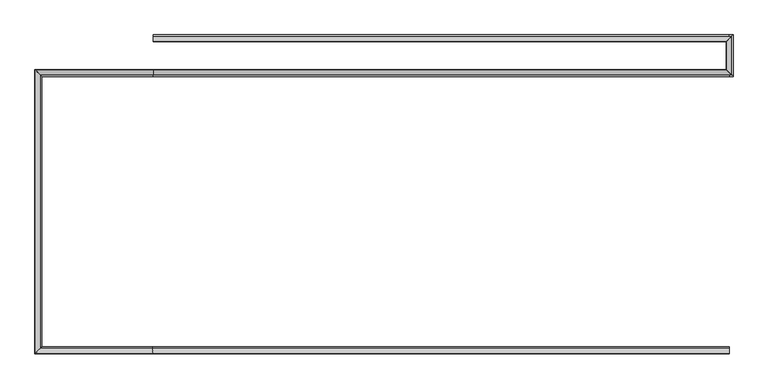
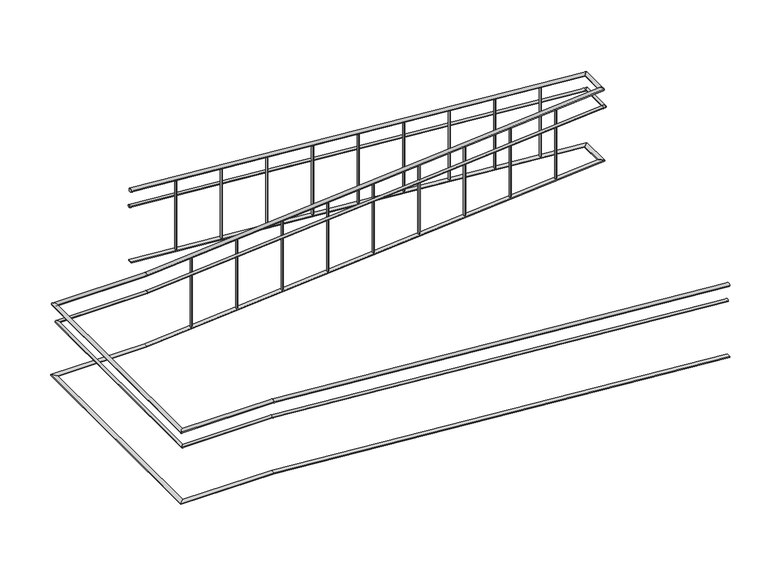
"""IFC4 building model written with IfcOpenShell, lengths in millimetres: railing geometry."""

from ifc_helpers import new_model, si_unit, frame, origin, place, context, project, spatial, ellipse_curve, faceted_brep, source, transform, mapped, element, save
from ifc_brep_helpers import plane_surface, cylinder_surface, advanced_brep


def railing_ad391824(model_context):
    return source(origin(), model_context, "Body", "SolidModel", [
        advanced_brep(
        [(-20785.2208066, -21237.3113636, -320.0638979), (-20785.2208066, -21197.3113636, -320.0638979), (-25786.0195307, -21197.3113636, 80.0), (-25786.0195307, -21237.3113636, 80.0), (-26765.2208066, -21197.3113636, 80.0), (-26805.2208066, -21237.3113636, 80.0), (-26765.2208066, -18818.0361539, 80.0), (-26805.2208066, -18778.0361539, 80.0), (-25784.4220825, -18818.0361539, 80.0), (-25784.4220825, -18778.0361539, 80.0), (-20803.5622077, -18778.0361539, 478.46879), (-20763.6895966, -18818.0361539, 481.6585989)],
        [
            (0, 1, ellipse_curve(frame((-20785.2208066, -21217.3113636, -320.0638979), z_axis=(1.0, 0.0, 0.0), x_axis=(0.0, 0.0, -1.0)), 20.0638979, 20.0)),
            (1, 0, ellipse_curve(frame((-20785.2208066, -21217.3113636, -320.0638979), z_axis=(1.0, 0.0, 0.0), x_axis=(0.0, 0.0, -1.0)), 20.0638979, 20.0)),
            (1, 2),
            (2, 3, ellipse_curve(frame((-25786.0195307, -21217.3113636, 80.0), z_axis=(0.9992035024298416, 0.0, -0.0399043948950175), x_axis=(-0.03990439489501678, 0.0, -0.9992035024298418)), 20.0159426, 20.0)),
            (3, 0),
            (3, 2, ellipse_curve(frame((-25786.0195307, -21217.3113636, 80.0), z_axis=(0.9992035024298416, 0.0, -0.0399043948950175), x_axis=(-0.03990439489501678, 0.0, -0.9992035024298418)), 20.0159426, 20.0)),
            (2, 4),
            (4, 5, ellipse_curve(frame((-26785.2208066, -21217.3113636, 80.0), z_axis=(0.7071067811865487, -0.7071067811865462, 0.0), x_axis=(0.7071067811865464, 0.7071067811865487, 0.0)), 28.2842712, 20.0)),
            (5, 3),
            (5, 4, ellipse_curve(frame((-26785.2208066, -21217.3113636, 80.0), z_axis=(0.7071067811865487, -0.7071067811865462, 0.0), x_axis=(0.7071067811865464, 0.7071067811865487, 0.0)), 28.2842712, 20.0)),
            (4, 6),
            (6, 7, ellipse_curve(frame((-26785.2208066, -18798.0361539, 80.0), z_axis=(-0.7071067811865462, -0.7071067811865487, 0.0), x_axis=(0.7071067811865487, -0.7071067811865464, 0.0)), 28.2842712, 20.0)),
            (7, 5),
            (7, 6, ellipse_curve(frame((-26785.2208066, -18798.0361539, 80.0), z_axis=(-0.7071067811865462, -0.7071067811865487, 0.0), x_axis=(0.7071067811865487, -0.7071067811865464, 0.0)), 28.2842712, 20.0)),
            (6, 8),
            (8, 9, ellipse_curve(frame((-25784.4220825, -18798.0361539, 80.0), z_axis=(-0.9992035024298416, 0.0, -0.03990439489501755), x_axis=(-0.03990439489501951, 0.0, 0.9992035024298415)), 20.0159426, 20.0)),
            (9, 7),
            (9, 8, ellipse_curve(frame((-25784.4220825, -18798.0361539, 80.0), z_axis=(-0.9992035024298416, 0.0, -0.03990439489501755), x_axis=(-0.03990439489501951, 0.0, 0.9992035024298415)), 20.0159426, 20.0)),
            (10, 11, ellipse_curve(frame((-20783.6259021, -18798.0361539, 480.0636944), z_axis=(0.7048548430432501, 0.7071067811865488, 0.05638838744346013), x_axis=(-0.704854843043252, 0.7071067811865466, -0.05638838744346012)), 28.2842712, 20.0)),
            (11, 10, ellipse_curve(frame((-20783.6259021, -18798.0361539, 480.0636944), z_axis=(0.7048548430432501, 0.7071067811865488, 0.05638838744346013), x_axis=(-0.704854843043252, 0.7071067811865466, -0.05638838744346012)), 28.2842712, 20.0)),
            (8, 11),
            (10, 9),
        ],
        [
            plane_surface(frame((-20785.2208066, -21217.3113636, -300.0), z_axis=(1.0, 0.0, 0.0), x_axis=(0.0, -1.0, 0.0))),
            cylinder_surface(frame((-20786.815711, -21217.3113636, -319.9363056), z_axis=(0.9968152785361251, 0.0, -0.07974522228288997), x_axis=(0.0, 1.0, 0.0)), 20.0),
            cylinder_surface(frame((-25785.2208066, -21217.3113636, 80.0), z_axis=(1.0, 0.0, 0.0), x_axis=(0.0, 1.0, 0.0)), 20.0),
            cylinder_surface(frame((-26785.2208066, -21217.3113636, 80.0), z_axis=(0.0, -1.0, 0.0), x_axis=(1.0, 0.0, 0.0)), 20.0),
            cylinder_surface(frame((-26785.2208066, -18798.0361539, 80.0), z_axis=(-1.0, 0.0, 0.0), x_axis=(0.0, -1.0, 0.0)), 20.0),
            plane_surface(frame((-20785.2208066, -18798.0361539, 500.0), z_axis=(0.7048548430432501, 0.7071067811865488, 0.05638838744346013), x_axis=(0.7093515702657431, -0.7026242841491772, -0.05603092972083254))),
            cylinder_surface(frame((-25783.6259021, -18798.0361539, 80.0636944), z_axis=(-0.9968152785361251, 0.0, -0.07974522228289006), x_axis=(0.0, -1.0, 0.0)), 20.0),
        ],
        [
            (0, [[1, 2]]),
            (1, [[-2, 3, 4, 5]]),
            (1, [[-1, -5, 6, -3]]),
            (2, [[-4, 7, 8, 9]]),
            (2, [[-6, -9, 10, -7]]),
            (3, [[-8, 11, 12, 13]]),
            (3, [[-10, -13, 14, -11]]),
            (4, [[-12, 15, 16, 17]]),
            (4, [[-14, -17, 18, -15]]),
            (5, [[19, 20]]),
            (6, [[-16, 21, -19, 22]]),
            (6, [[-18, -22, -20, -21]]),
        ],
    ),
        advanced_brep(
        [(-20805.2208066, -18776.5049439, 480.0), (-20765.2208066, -18816.377555, 480.0), (-20805.2208066, -18525.2334525, 480.0), (-20765.2208066, -18485.3608413, 480.0)],
        [
            (0, 1, ellipse_curve(frame((-20785.2208066, -18796.4412495, 480.0), z_axis=(-0.7048548430432501, -0.7071067811865488, -0.05638838744346013), x_axis=(0.7048548430432525, -0.7071067811865462, 0.05638838744346012)), 28.2842712, 20.0)),
            (1, 0, ellipse_curve(frame((-20785.2208066, -18796.4412495, 480.0), z_axis=(-0.7048548430432501, -0.7071067811865488, -0.05638838744346013), x_axis=(0.7048548430432525, -0.7071067811865462, 0.05638838744346012)), 28.2842712, 20.0)),
            (2, 3, ellipse_curve(frame((-20785.2208066, -18505.2971469, 480.0), z_axis=(-0.7048548430432531, 0.7071067811865458, 0.05638838744346018), x_axis=(-0.7048548430432494, -0.7071067811865491, 0.0563883874434601)), 28.2842712, 20.0)),
            (3, 2, ellipse_curve(frame((-20785.2208066, -18505.2971469, 480.0), z_axis=(-0.7048548430432531, 0.7071067811865458, 0.05638838744346018), x_axis=(-0.7048548430432494, -0.7071067811865491, 0.0563883874434601)), 28.2842712, 20.0)),
            (1, 3),
            (2, 0),
        ],
        [
            plane_surface(frame((-20785.2208066, -18798.0361539, 500.0), z_axis=(-0.7048548430432501, -0.7071067811865488, -0.05638838744346013), x_axis=(0.7093515702657431, -0.7026242841491772, -0.05603092972083254))),
            plane_surface(frame((-20785.2208066, -18506.8920513, 500.0), z_axis=(-0.7048548430432531, 0.7071067811865458, 0.05638838744346018), x_axis=(0.7093515702657401, 0.7026242841491802, 0.05603092972083307))),
            cylinder_surface(frame((-20785.2208066, -18798.0361539, 480.0), z_axis=(0.0, -1.0, 0.0), x_axis=(1.0, 0.0, 0.0)), 20.0),
        ],
        [
            (0, [[1, 2]]),
            (1, [[3, 4]]),
            (2, [[-2, 5, -3, 6]]),
            (2, [[-1, -6, -4, -5]]),
        ],
    ),
        advanced_brep(
        [(-20806.7520166, -18526.8920513, 481.6585989), (-20766.8794054, -18486.8920513, 478.46879), (-25785.2208066, -18526.8920513, 879.9361021), (-25785.2208066, -18486.8920513, 879.9361021)],
        [
            (0, 1, ellipse_curve(frame((-20786.815711, -18506.8920513, 480.0636944), z_axis=(0.7048548430432531, -0.7071067811865458, -0.05638838744346018), x_axis=(0.7048548430432492, 0.7071067811865495, -0.05638838744346007)), 28.2842712, 20.0)),
            (1, 0, ellipse_curve(frame((-20786.815711, -18506.8920513, 480.0636944), z_axis=(0.7048548430432531, -0.7071067811865458, -0.05638838744346018), x_axis=(0.7048548430432492, 0.7071067811865495, -0.05638838744346007)), 28.2842712, 20.0)),
            (2, 3, ellipse_curve(frame((-25785.2208066, -18506.8920513, 879.9361021), z_axis=(-1.0, 0.0, 0.0), x_axis=(0.0, 0.0, -1.0)), 20.0638979, 20.0)),
            (3, 2, ellipse_curve(frame((-25785.2208066, -18506.8920513, 879.9361021), z_axis=(-1.0, 0.0, 0.0), x_axis=(0.0, 0.0, -1.0)), 20.0638979, 20.0)),
            (1, 3),
            (2, 0),
        ],
        [
            plane_surface(frame((-20785.2208066, -18506.8920513, 500.0), z_axis=(0.7048548430432531, -0.7071067811865458, -0.05638838744346018), x_axis=(0.7093515702657401, 0.7026242841491802, 0.05603092972083307))),
            plane_surface(frame((-25785.2208066, -18506.8920513, 900.0), z_axis=(-1.0, 0.0, 0.0), x_axis=(0.0, -1.0, 0.0))),
            cylinder_surface(frame((-20786.815711, -18506.8920513, 480.0636944), z_axis=(0.9968152785361251, 0.0, -0.07974522228289006), x_axis=(0.0, 1.0, 0.0)), 20.0),
        ],
        [
            (0, [[1, 2]]),
            (1, [[3, 4]]),
            (2, [[-2, 5, -3, 6]]),
            (2, [[-1, -6, -4, -5]]),
        ],
    ),
        advanced_brep(
        [(-20785.2208066, -21212.3113636, -515.0479234), (-20785.2208066, -21182.3113636, -515.0479234), (-25785.8198496, -21182.3113636, -115.0), (-25785.8198496, -21212.3113636, -115.0), (-26750.2208066, -21182.3113636, -115.0), (-26780.2208066, -21212.3113636, -115.0), (-26750.2208066, -18833.0361539, -115.0), (-26780.2208066, -18803.0361539, -115.0), (-25784.6217635, -18833.0361539, -115.0), (-25784.6217635, -18803.0361539, -115.0), (-20784.6217635, -18833.0361539, 285.0), (-20784.6217635, -18803.0361539, 285.0), (-20750.2208066, -18833.0361539, 285.0), (-20780.2208066, -18803.0361539, 285.0), (-20750.2208066, -18471.8920513, 285.0), (-20780.2208066, -18501.8920513, 285.0), (-20785.8198496, -18471.8920513, 285.0), (-20785.8198496, -18501.8920513, 285.0), (-25785.2208066, -18501.8920513, 684.9520766), (-25785.2208066, -18471.8920513, 684.9520766)],
        [
            (0, 1, ellipse_curve(frame((-20785.2208066, -21197.3113636, -515.0479234), z_axis=(1.0, 0.0, 0.0), x_axis=(0.0, 0.0, -1.0)), 15.0479234, 15.0)),
            (1, 0, ellipse_curve(frame((-20785.2208066, -21197.3113636, -515.0479234), z_axis=(1.0, 0.0, 0.0), x_axis=(0.0, 0.0, -1.0)), 15.0479234, 15.0)),
            (1, 2),
            (2, 3, ellipse_curve(frame((-25785.8198496, -21197.3113636, -115.0), z_axis=(0.9992035024298416, 0.0, -0.0399043948950175), x_axis=(-0.03990439489501678, 0.0, -0.9992035024298418)), 15.011957, 15.0)),
            (3, 0),
            (3, 2, ellipse_curve(frame((-25785.8198496, -21197.3113636, -115.0), z_axis=(0.9992035024298416, 0.0, -0.0399043948950175), x_axis=(-0.03990439489501678, 0.0, -0.9992035024298418)), 15.011957, 15.0)),
            (2, 4),
            (4, 5, ellipse_curve(frame((-26765.2208066, -21197.3113636, -115.0), z_axis=(0.7071067811865487, -0.7071067811865462, 0.0), x_axis=(0.7071067811865464, 0.7071067811865487, 0.0)), 21.2132034, 15.0)),
            (5, 3),
            (5, 4, ellipse_curve(frame((-26765.2208066, -21197.3113636, -115.0), z_axis=(0.7071067811865487, -0.7071067811865462, 0.0), x_axis=(0.7071067811865464, 0.7071067811865487, 0.0)), 21.2132034, 15.0)),
            (4, 6),
            (6, 7, ellipse_curve(frame((-26765.2208066, -18818.0361539, -115.0), z_axis=(-0.7071067811865462, -0.7071067811865487, 0.0), x_axis=(0.7071067811865487, -0.7071067811865464, 0.0)), 21.2132034, 15.0)),
            (7, 5),
            (7, 6, ellipse_curve(frame((-26765.2208066, -18818.0361539, -115.0), z_axis=(-0.7071067811865462, -0.7071067811865487, 0.0), x_axis=(0.7071067811865487, -0.7071067811865464, 0.0)), 21.2132034, 15.0)),
            (6, 8),
            (8, 9, ellipse_curve(frame((-25784.6217635, -18818.0361539, -115.0), z_axis=(-0.9992035024298416, 0.0, -0.03990439489501755), x_axis=(-0.03990439489501951, 0.0, 0.9992035024298415)), 15.011957, 15.0)),
            (9, 7),
            (9, 8, ellipse_curve(frame((-25784.6217635, -18818.0361539, -115.0), z_axis=(-0.9992035024298416, 0.0, -0.03990439489501755), x_axis=(-0.03990439489501951, 0.0, 0.9992035024298415)), 15.011957, 15.0)),
            (8, 10),
            (10, 11, ellipse_curve(frame((-20784.6217635, -18818.0361539, 285.0), z_axis=(-0.9992035024298416, 0.0, -0.03990439489501755), x_axis=(0.03990439489501672, 0.0, -0.9992035024298416)), 15.011957, 15.0)),
            (11, 9),
            (11, 10, ellipse_curve(frame((-20784.6217635, -18818.0361539, 285.0), z_axis=(-0.9992035024298416, 0.0, -0.03990439489501755), x_axis=(0.03990439489501672, 0.0, -0.9992035024298416)), 15.011957, 15.0)),
            (10, 12),
            (12, 13, ellipse_curve(frame((-20765.2208066, -18818.0361539, 285.0), z_axis=(-0.7071067811865462, -0.7071067811865487, 0.0), x_axis=(-0.7071067811865488, 0.7071067811865461, 0.0)), 21.2132034, 15.0)),
            (13, 11),
            (13, 12, ellipse_curve(frame((-20765.2208066, -18818.0361539, 285.0), z_axis=(-0.7071067811865462, -0.7071067811865487, 0.0), x_axis=(-0.7071067811865488, 0.7071067811865461, 0.0)), 21.2132034, 15.0)),
            (12, 14),
            (14, 15, ellipse_curve(frame((-20765.2208066, -18486.8920513, 285.0), z_axis=(0.7071067811865492, -0.7071067811865457, 0.0), x_axis=(-0.7071067811865455, -0.7071067811865495, 0.0)), 21.2132034, 15.0)),
            (15, 13),
            (15, 14, ellipse_curve(frame((-20765.2208066, -18486.8920513, 285.0), z_axis=(0.7071067811865492, -0.7071067811865457, 0.0), x_axis=(-0.7071067811865455, -0.7071067811865495, 0.0)), 21.2132034, 15.0)),
            (14, 16),
            (16, 17, ellipse_curve(frame((-20785.8198496, -18486.8920513, 285.0), z_axis=(0.9992035024298416, 0.0, -0.03990439489501755), x_axis=(0.03990439489501951, 0.0, 0.9992035024298415)), 15.011957, 15.0)),
            (17, 15),
            (17, 16, ellipse_curve(frame((-20785.8198496, -18486.8920513, 285.0), z_axis=(0.9992035024298416, 0.0, -0.03990439489501755), x_axis=(0.03990439489501951, 0.0, 0.9992035024298415)), 15.011957, 15.0)),
            (18, 19, ellipse_curve(frame((-25785.2208066, -18486.8920513, 684.9520766), z_axis=(-1.0, 0.0, 0.0), x_axis=(0.0, 0.0, -1.0)), 15.0479234, 15.0)),
            (19, 18, ellipse_curve(frame((-25785.2208066, -18486.8920513, 684.9520766), z_axis=(-1.0, 0.0, 0.0), x_axis=(0.0, 0.0, -1.0)), 15.0479234, 15.0)),
            (16, 19),
            (18, 17),
        ],
        [
            plane_surface(frame((-20785.2208066, -21197.3113636, -500.0), z_axis=(1.0, 0.0, 0.0), x_axis=(0.0, -1.0, 0.0))),
            cylinder_surface(frame((-20786.4169849, -21197.3113636, -514.9522292), z_axis=(0.9968152785361251, 0.0, -0.07974522228288997), x_axis=(0.0, 1.0, 0.0)), 15.0),
            cylinder_surface(frame((-25785.2208066, -21197.3113636, -115.0), z_axis=(1.0, 0.0, 0.0), x_axis=(0.0, 1.0, 0.0)), 15.0),
            cylinder_surface(frame((-26765.2208066, -21197.3113636, -115.0), z_axis=(0.0, -1.0, 0.0), x_axis=(1.0, 0.0, 0.0)), 15.0),
            cylinder_surface(frame((-26765.2208066, -18818.0361539, -115.0), z_axis=(-1.0, 0.0, 0.0), x_axis=(0.0, -1.0, 0.0)), 15.0),
            cylinder_surface(frame((-25784.0246282, -18818.0361539, -114.9522292), z_axis=(-0.9968152785361251, 0.0, -0.07974522228289006), x_axis=(0.0, -1.0, 0.0)), 15.0),
            cylinder_surface(frame((-20785.2208066, -18818.0361539, 285.0), z_axis=(-1.0, 0.0, 0.0), x_axis=(0.0, -1.0, 0.0)), 15.0),
            cylinder_surface(frame((-20765.2208066, -18818.0361539, 285.0), z_axis=(0.0, -1.0, 0.0), x_axis=(1.0, 0.0, 0.0)), 15.0),
            cylinder_surface(frame((-20765.2208066, -18486.8920513, 285.0), z_axis=(1.0, 0.0, 0.0), x_axis=(0.0, 1.0, 0.0)), 15.0),
            plane_surface(frame((-25785.2208066, -18486.8920513, 700.0), z_axis=(-1.0, 0.0, 0.0), x_axis=(0.0, -1.0, 0.0))),
            cylinder_surface(frame((-20786.4169849, -18486.8920513, 285.0477708), z_axis=(0.9968152785361251, 0.0, -0.07974522228289006), x_axis=(0.0, 1.0, 0.0)), 15.0),
        ],
        [
            (0, [[1, 2]]),
            (1, [[-2, 3, 4, 5]]),
            (1, [[-1, -5, 6, -3]]),
            (2, [[-4, 7, 8, 9]]),
            (2, [[-6, -9, 10, -7]]),
            (3, [[-8, 11, 12, 13]]),
            (3, [[-10, -13, 14, -11]]),
            (4, [[-12, 15, 16, 17]]),
            (4, [[-14, -17, 18, -15]]),
            (5, [[-16, 19, 20, 21]]),
            (5, [[-18, -21, 22, -19]]),
            (6, [[-20, 23, 24, 25]]),
            (6, [[-22, -25, 26, -23]]),
            (7, [[-24, 27, 28, 29]]),
            (7, [[-26, -29, 30, -27]]),
            (8, [[-28, 31, 32, 33]]),
            (8, [[-30, -33, 34, -31]]),
            (9, [[35, 36]]),
            (10, [[-32, 37, -35, 38]]),
            (10, [[-34, -38, -36, -37]]),
        ],
    ),
        faceted_brep([(-20785.2208066, -21192.3113636, -1140.0), (-20785.2208066, -21242.3113636, -1140.0), (-20785.2208066, -21242.3113636, -1150.031949), (-20785.2208066, -21192.3113636, -1150.031949), (-25785.6201686, -21192.3113636, -750.0), (-25785.2208066, -21192.3113636, -740.0), (-25785.6201686, -21242.3113636, -750.0), (-25785.2208066, -21242.3113636, -740.0), (-26760.2208066, -21192.3113636, -750.0), (-26760.2208066, -21192.3113636, -740.0), (-26810.2208066, -21242.3113636, -750.0), (-26810.2208066, -21242.3113636, -740.0), (-26760.2208066, -18823.0361539, -750.0), (-26760.2208066, -18823.0361539, -740.0), (-26810.2208066, -18773.0361539, -750.0), (-26810.2208066, -18773.0361539, -740.0), (-25784.8214445, -18823.0361539, -750.0), (-25785.2208066, -18823.0361539, -740.0), (-25784.8214445, -18773.0361539, -750.0), (-25785.2208066, -18773.0361539, -740.0), (-20760.3004246, -18823.0361539, -338.0063694), (-20759.5029724, -18823.0361539, -347.9745222), (-20809.3437363, -18773.0361539, -351.9617833), (-20810.1411885, -18773.0361539, -341.9936306)], [[[0, 1, 2, 3]], [[0, 3, 4, 5]], [[3, 2, 6, 4]], [[2, 1, 7, 6]], [[1, 0, 5, 7]], [[5, 4, 8, 9]], [[4, 6, 10, 8]], [[6, 7, 11, 10]], [[7, 5, 9, 11]], [[9, 8, 12, 13]], [[8, 10, 14, 12]], [[10, 11, 15, 14]], [[11, 9, 13, 15]], [[13, 12, 16, 17]], [[12, 14, 18, 16]], [[14, 15, 19, 18]], [[15, 13, 17, 19]], [[20, 21, 22, 23]], [[17, 16, 21, 20]], [[16, 18, 22, 21]], [[18, 19, 23, 22]], [[19, 17, 20, 23]]]),
        faceted_brep([(-20760.2208066, -18822.9565359, -340.0), (-20810.2208066, -18773.115772, -340.0), (-20810.2208066, -18772.3183197, -350.0), (-20760.2208066, -18822.1590837, -350.0), (-20760.2208066, -18481.9716694, -340.0), (-20760.2208066, -18481.1742172, -350.0), (-20810.2208066, -18531.0149811, -350.0), (-20810.2208066, -18531.8124333, -340.0)], [[[0, 1, 2, 3]], [[4, 5, 6, 7]], [[0, 3, 5, 4]], [[3, 2, 6, 5]], [[2, 1, 7, 6]], [[1, 0, 4, 7]]]),
        faceted_brep([(-20760.3004246, -18481.8920513, -341.9936306), (-20810.1411885, -18531.8920513, -338.0063694), (-20810.9386408, -18531.8920513, -347.9745222), (-20761.0978768, -18481.8920513, -351.9617833), (-25785.2208066, -18481.8920513, 60.0), (-25785.2208066, -18481.8920513, 49.968051), (-25785.2208066, -18531.8920513, 49.968051), (-25785.2208066, -18531.8920513, 60.0)], [[[0, 1, 2, 3]], [[4, 5, 6, 7]], [[0, 3, 5, 4]], [[3, 2, 6, 5]], [[2, 1, 7, 6]], [[1, 0, 4, 7]]]),
        advanced_brep(
        [(-25285.2208066, -18496.8920513, 819.8722041), (-25285.2208066, -18496.8920513, 20.0), (-25285.2208066, -18516.8920513, 20.0), (-25285.2208066, -18516.8920513, 819.8722041)],
        [
            (0, 1),
            (1, 2, ellipse_curve(frame((-25285.2208066, -18506.8920513, 20.0), z_axis=(0.07974522228288976, 0.0, 0.9968152785361251), x_axis=(-0.9968152785361251, 0.0, 0.07974522228288902)), 10.031949, 10.0)),
            (2, 3),
            (3, 0, ellipse_curve(frame((-25285.2208066, -18506.8920513, 819.8722041), z_axis=(-0.07974522228288877, 0.0, -0.9968152785361252), x_axis=(-0.9968152785361252, 0.0, 0.07974522228288722)), 10.031949, 10.0)),
            (0, 3, ellipse_curve(frame((-25285.2208066, -18506.8920513, 819.8722041), z_axis=(-0.07974522228288877, 0.0, -0.9968152785361252), x_axis=(-0.9968152785361252, 0.0, 0.07974522228288722)), 10.031949, 10.0)),
            (2, 1, ellipse_curve(frame((-25285.2208066, -18506.8920513, 20.0), z_axis=(0.07974522228288976, 0.0, 0.9968152785361251), x_axis=(-0.9968152785361251, 0.0, 0.07974522228288902)), 10.031949, 10.0)),
        ],
        [
            cylinder_surface(frame((-25285.2208066, -18506.8920513, -80.0), z_axis=(0.0, 0.0, 1.0), x_axis=(0.0, -1.0, 0.0)), 10.0),
            plane_surface(frame((-25305.2208066, -18526.8920513, 821.4722041), z_axis=(0.07974522228288877, 0.0, 0.9968152785361252), x_axis=(0.0, 1.0, 0.0))),
            plane_surface(frame((-25265.2208066, -18526.8920513, 18.4), z_axis=(-0.07974522228288976, 0.0, -0.9968152785361251), x_axis=(0.0, 1.0, 0.0))),
        ],
        [
            (0, [[1, 2, 3, 4]]),
            (0, [[-1, 5, -3, 6]]),
            (1, [[-4, -5]]),
            (2, [[-2, -6]]),
        ],
    ),
        advanced_brep(
        [(-24785.2208066, -18496.8920513, 779.8722041), (-24785.2208066, -18496.8920513, -20.0), (-24785.2208066, -18516.8920513, -20.0), (-24785.2208066, -18516.8920513, 779.8722041)],
        [
            (0, 1),
            (1, 2, ellipse_curve(frame((-24785.2208066, -18506.8920513, -20.0), z_axis=(0.07974522228288976, 0.0, 0.9968152785361251), x_axis=(-0.9968152785361251, 0.0, 0.07974522228288902)), 10.031949, 10.0)),
            (2, 3),
            (3, 0, ellipse_curve(frame((-24785.2208066, -18506.8920513, 779.8722041), z_axis=(-0.07974522228288877, 0.0, -0.9968152785361252), x_axis=(-0.9968152785361252, 0.0, 0.07974522228288722)), 10.031949, 10.0)),
            (0, 3, ellipse_curve(frame((-24785.2208066, -18506.8920513, 779.8722041), z_axis=(-0.07974522228288877, 0.0, -0.9968152785361252), x_axis=(-0.9968152785361252, 0.0, 0.07974522228288722)), 10.031949, 10.0)),
            (2, 1, ellipse_curve(frame((-24785.2208066, -18506.8920513, -20.0), z_axis=(0.07974522228288976, 0.0, 0.9968152785361251), x_axis=(-0.9968152785361251, 0.0, 0.07974522228288902)), 10.031949, 10.0)),
        ],
        [
            cylinder_surface(frame((-24785.2208066, -18506.8920513, -120.0), z_axis=(0.0, 0.0, 1.0), x_axis=(0.0, -1.0, 0.0)), 10.0),
            plane_surface(frame((-24805.2208066, -18526.8920513, 781.4722041), z_axis=(0.07974522228288877, 0.0, 0.9968152785361252), x_axis=(0.0, 1.0, 0.0))),
            plane_surface(frame((-24765.2208066, -18526.8920513, -21.6), z_axis=(-0.07974522228288976, 0.0, -0.9968152785361251), x_axis=(0.0, 1.0, 0.0))),
        ],
        [
            (0, [[1, 2, 3, 4]]),
            (0, [[-1, 5, -3, 6]]),
            (1, [[-4, -5]]),
            (2, [[-2, -6]]),
        ],
    ),
        advanced_brep(
        [(-24285.2208066, -18496.8920513, 739.8722041), (-24285.2208066, -18496.8920513, -60.0), (-24285.2208066, -18516.8920513, -60.0), (-24285.2208066, -18516.8920513, 739.8722041)],
        [
            (0, 1),
            (1, 2, ellipse_curve(frame((-24285.2208066, -18506.8920513, -60.0), z_axis=(0.07974522228288976, 0.0, 0.9968152785361251), x_axis=(-0.9968152785361251, 0.0, 0.07974522228288902)), 10.031949, 10.0)),
            (2, 3),
            (3, 0, ellipse_curve(frame((-24285.2208066, -18506.8920513, 739.8722041), z_axis=(-0.07974522228288877, 0.0, -0.9968152785361252), x_axis=(-0.9968152785361252, 0.0, 0.07974522228288722)), 10.031949, 10.0)),
            (0, 3, ellipse_curve(frame((-24285.2208066, -18506.8920513, 739.8722041), z_axis=(-0.07974522228288877, 0.0, -0.9968152785361252), x_axis=(-0.9968152785361252, 0.0, 0.07974522228288722)), 10.031949, 10.0)),
            (2, 1, ellipse_curve(frame((-24285.2208066, -18506.8920513, -60.0), z_axis=(0.07974522228288976, 0.0, 0.9968152785361251), x_axis=(-0.9968152785361251, 0.0, 0.07974522228288902)), 10.031949, 10.0)),
        ],
        [
            cylinder_surface(frame((-24285.2208066, -18506.8920513, -160.0), z_axis=(0.0, 0.0, 1.0), x_axis=(0.0, -1.0, 0.0)), 10.0),
            plane_surface(frame((-24305.2208066, -18526.8920513, 741.4722041), z_axis=(0.07974522228288877, 0.0, 0.9968152785361252), x_axis=(0.0, 1.0, 0.0))),
            plane_surface(frame((-24265.2208066, -18526.8920513, -61.6), z_axis=(-0.07974522228288976, 0.0, -0.9968152785361251), x_axis=(0.0, 1.0, 0.0))),
        ],
        [
            (0, [[1, 2, 3, 4]]),
            (0, [[-1, 5, -3, 6]]),
            (1, [[-4, -5]]),
            (2, [[-2, -6]]),
        ],
    ),
        advanced_brep(
        [(-23785.2208066, -18496.8920513, 699.8722041), (-23785.2208066, -18496.8920513, -100.0), (-23785.2208066, -18516.8920513, -100.0), (-23785.2208066, -18516.8920513, 699.8722041)],
        [
            (0, 1),
            (1, 2, ellipse_curve(frame((-23785.2208066, -18506.8920513, -100.0), z_axis=(0.07974522228288976, 0.0, 0.9968152785361251), x_axis=(-0.9968152785361251, 0.0, 0.07974522228288902)), 10.031949, 10.0)),
            (2, 3),
            (3, 0, ellipse_curve(frame((-23785.2208066, -18506.8920513, 699.8722041), z_axis=(-0.07974522228288877, 0.0, -0.9968152785361252), x_axis=(-0.9968152785361252, 0.0, 0.07974522228288722)), 10.031949, 10.0)),
            (0, 3, ellipse_curve(frame((-23785.2208066, -18506.8920513, 699.8722041), z_axis=(-0.07974522228288877, 0.0, -0.9968152785361252), x_axis=(-0.9968152785361252, 0.0, 0.07974522228288722)), 10.031949, 10.0)),
            (2, 1, ellipse_curve(frame((-23785.2208066, -18506.8920513, -100.0), z_axis=(0.07974522228288976, 0.0, 0.9968152785361251), x_axis=(-0.9968152785361251, 0.0, 0.07974522228288902)), 10.031949, 10.0)),
        ],
        [
            cylinder_surface(frame((-23785.2208066, -18506.8920513, -200.0), z_axis=(0.0, 0.0, 1.0), x_axis=(0.0, -1.0, 0.0)), 10.0),
            plane_surface(frame((-23805.2208066, -18526.8920513, 701.4722041), z_axis=(0.07974522228288877, 0.0, 0.9968152785361252), x_axis=(0.0, 1.0, 0.0))),
            plane_surface(frame((-23765.2208066, -18526.8920513, -101.6), z_axis=(-0.07974522228288976, 0.0, -0.9968152785361251), x_axis=(0.0, 1.0, 0.0))),
        ],
        [
            (0, [[1, 2, 3, 4]]),
            (0, [[-1, 5, -3, 6]]),
            (1, [[-4, -5]]),
            (2, [[-2, -6]]),
        ],
    ),
        advanced_brep(
        [(-23285.2208066, -18496.8920513, 659.8722041), (-23285.2208066, -18496.8920513, -140.0), (-23285.2208066, -18516.8920513, -140.0), (-23285.2208066, -18516.8920513, 659.8722041)],
        [
            (0, 1),
            (1, 2, ellipse_curve(frame((-23285.2208066, -18506.8920513, -140.0), z_axis=(0.07974522228288976, 0.0, 0.9968152785361251), x_axis=(-0.9968152785361251, 0.0, 0.07974522228288902)), 10.031949, 10.0)),
            (2, 3),
            (3, 0, ellipse_curve(frame((-23285.2208066, -18506.8920513, 659.8722041), z_axis=(-0.07974522228288877, 0.0, -0.9968152785361252), x_axis=(-0.9968152785361252, 0.0, 0.07974522228288722)), 10.031949, 10.0)),
            (0, 3, ellipse_curve(frame((-23285.2208066, -18506.8920513, 659.8722041), z_axis=(-0.07974522228288877, 0.0, -0.9968152785361252), x_axis=(-0.9968152785361252, 0.0, 0.07974522228288722)), 10.031949, 10.0)),
            (2, 1, ellipse_curve(frame((-23285.2208066, -18506.8920513, -140.0), z_axis=(0.07974522228288976, 0.0, 0.9968152785361251), x_axis=(-0.9968152785361251, 0.0, 0.07974522228288902)), 10.031949, 10.0)),
        ],
        [
            cylinder_surface(frame((-23285.2208066, -18506.8920513, -240.0), z_axis=(0.0, 0.0, 1.0), x_axis=(0.0, -1.0, 0.0)), 10.0),
            plane_surface(frame((-23305.2208066, -18526.8920513, 661.4722041), z_axis=(0.07974522228288877, 0.0, 0.9968152785361252), x_axis=(0.0, 1.0, 0.0))),
            plane_surface(frame((-23265.2208066, -18526.8920513, -141.6), z_axis=(-0.07974522228288976, 0.0, -0.9968152785361251), x_axis=(0.0, 1.0, 0.0))),
        ],
        [
            (0, [[1, 2, 3, 4]]),
            (0, [[-1, 5, -3, 6]]),
            (1, [[-4, -5]]),
            (2, [[-2, -6]]),
        ],
    ),
        advanced_brep(
        [(-22785.2208066, -18496.8920513, 619.8722041), (-22785.2208066, -18496.8920513, -180.0), (-22785.2208066, -18516.8920513, -180.0), (-22785.2208066, -18516.8920513, 619.8722041)],
        [
            (0, 1),
            (1, 2, ellipse_curve(frame((-22785.2208066, -18506.8920513, -180.0), z_axis=(0.07974522228288976, 0.0, 0.9968152785361251), x_axis=(-0.9968152785361251, 0.0, 0.07974522228288902)), 10.031949, 10.0)),
            (2, 3),
            (3, 0, ellipse_curve(frame((-22785.2208066, -18506.8920513, 619.8722041), z_axis=(-0.07974522228288877, 0.0, -0.9968152785361252), x_axis=(-0.9968152785361252, 0.0, 0.07974522228288722)), 10.031949, 10.0)),
            (0, 3, ellipse_curve(frame((-22785.2208066, -18506.8920513, 619.8722041), z_axis=(-0.07974522228288877, 0.0, -0.9968152785361252), x_axis=(-0.9968152785361252, 0.0, 0.07974522228288722)), 10.031949, 10.0)),
            (2, 1, ellipse_curve(frame((-22785.2208066, -18506.8920513, -180.0), z_axis=(0.07974522228288976, 0.0, 0.9968152785361251), x_axis=(-0.9968152785361251, 0.0, 0.07974522228288902)), 10.031949, 10.0)),
        ],
        [
            cylinder_surface(frame((-22785.2208066, -18506.8920513, -280.0), z_axis=(0.0, 0.0, 1.0), x_axis=(0.0, -1.0, 0.0)), 10.0),
            plane_surface(frame((-22805.2208066, -18526.8920513, 621.4722041), z_axis=(0.07974522228288877, 0.0, 0.9968152785361252), x_axis=(0.0, 1.0, 0.0))),
            plane_surface(frame((-22765.2208066, -18526.8920513, -181.6), z_axis=(-0.07974522228288976, 0.0, -0.9968152785361251), x_axis=(0.0, 1.0, 0.0))),
        ],
        [
            (0, [[1, 2, 3, 4]]),
            (0, [[-1, 5, -3, 6]]),
            (1, [[-4, -5]]),
            (2, [[-2, -6]]),
        ],
    ),
        advanced_brep(
        [(-22285.2208066, -18496.8920513, 579.8722041), (-22285.2208066, -18496.8920513, -220.0), (-22285.2208066, -18516.8920513, -220.0), (-22285.2208066, -18516.8920513, 579.8722041)],
        [
            (0, 1),
            (1, 2, ellipse_curve(frame((-22285.2208066, -18506.8920513, -220.0), z_axis=(0.07974522228288976, 0.0, 0.9968152785361251), x_axis=(-0.9968152785361251, 0.0, 0.07974522228288902)), 10.031949, 10.0)),
            (2, 3),
            (3, 0, ellipse_curve(frame((-22285.2208066, -18506.8920513, 579.8722041), z_axis=(-0.07974522228288877, 0.0, -0.9968152785361252), x_axis=(-0.9968152785361252, 0.0, 0.07974522228288722)), 10.031949, 10.0)),
            (0, 3, ellipse_curve(frame((-22285.2208066, -18506.8920513, 579.8722041), z_axis=(-0.07974522228288877, 0.0, -0.9968152785361252), x_axis=(-0.9968152785361252, 0.0, 0.07974522228288722)), 10.031949, 10.0)),
            (2, 1, ellipse_curve(frame((-22285.2208066, -18506.8920513, -220.0), z_axis=(0.07974522228288976, 0.0, 0.9968152785361251), x_axis=(-0.9968152785361251, 0.0, 0.07974522228288902)), 10.031949, 10.0)),
        ],
        [
            cylinder_surface(frame((-22285.2208066, -18506.8920513, -320.0), z_axis=(0.0, 0.0, 1.0), x_axis=(0.0, -1.0, 0.0)), 10.0),
            plane_surface(frame((-22305.2208066, -18526.8920513, 581.4722041), z_axis=(0.07974522228288877, 0.0, 0.9968152785361252), x_axis=(0.0, 1.0, 0.0))),
            plane_surface(frame((-22265.2208066, -18526.8920513, -221.6), z_axis=(-0.07974522228288976, 0.0, -0.9968152785361251), x_axis=(0.0, 1.0, 0.0))),
        ],
        [
            (0, [[1, 2, 3, 4]]),
            (0, [[-1, 5, -3, 6]]),
            (1, [[-4, -5]]),
            (2, [[-2, -6]]),
        ],
    ),
        advanced_brep(
        [(-21785.2208066, -18496.8920513, 539.8722041), (-21785.2208066, -18496.8920513, -260.0), (-21785.2208066, -18516.8920513, -260.0), (-21785.2208066, -18516.8920513, 539.8722041)],
        [
            (0, 1),
            (1, 2, ellipse_curve(frame((-21785.2208066, -18506.8920513, -260.0), z_axis=(0.07974522228288976, 0.0, 0.9968152785361251), x_axis=(-0.9968152785361251, 0.0, 0.07974522228288902)), 10.031949, 10.0)),
            (2, 3),
            (3, 0, ellipse_curve(frame((-21785.2208066, -18506.8920513, 539.8722041), z_axis=(-0.07974522228288877, 0.0, -0.9968152785361252), x_axis=(-0.9968152785361252, 0.0, 0.07974522228288722)), 10.031949, 10.0)),
            (0, 3, ellipse_curve(frame((-21785.2208066, -18506.8920513, 539.8722041), z_axis=(-0.07974522228288877, 0.0, -0.9968152785361252), x_axis=(-0.9968152785361252, 0.0, 0.07974522228288722)), 10.031949, 10.0)),
            (2, 1, ellipse_curve(frame((-21785.2208066, -18506.8920513, -260.0), z_axis=(0.07974522228288976, 0.0, 0.9968152785361251), x_axis=(-0.9968152785361251, 0.0, 0.07974522228288902)), 10.031949, 10.0)),
        ],
        [
            cylinder_surface(frame((-21785.2208066, -18506.8920513, -360.0), z_axis=(0.0, 0.0, 1.0), x_axis=(0.0, -1.0, 0.0)), 10.0),
            plane_surface(frame((-21805.2208066, -18526.8920513, 541.4722041), z_axis=(0.07974522228288877, 0.0, 0.9968152785361252), x_axis=(0.0, 1.0, 0.0))),
            plane_surface(frame((-21765.2208066, -18526.8920513, -261.6), z_axis=(-0.07974522228288976, 0.0, -0.9968152785361251), x_axis=(0.0, 1.0, 0.0))),
        ],
        [
            (0, [[1, 2, 3, 4]]),
            (0, [[-1, 5, -3, 6]]),
            (1, [[-4, -5]]),
            (2, [[-2, -6]]),
        ],
    ),
        advanced_brep(
        [(-21285.2208066, -18496.8920513, 499.8722041), (-21285.2208066, -18496.8920513, -300.0), (-21285.2208066, -18516.8920513, -300.0), (-21285.2208066, -18516.8920513, 499.8722041)],
        [
            (0, 1),
            (1, 2, ellipse_curve(frame((-21285.2208066, -18506.8920513, -300.0), z_axis=(0.07974522228288976, 0.0, 0.9968152785361251), x_axis=(-0.9968152785361251, 0.0, 0.07974522228288902)), 10.031949, 10.0)),
            (2, 3),
            (3, 0, ellipse_curve(frame((-21285.2208066, -18506.8920513, 499.8722041), z_axis=(-0.07974522228288877, 0.0, -0.9968152785361252), x_axis=(-0.9968152785361252, 0.0, 0.07974522228288722)), 10.031949, 10.0)),
            (0, 3, ellipse_curve(frame((-21285.2208066, -18506.8920513, 499.8722041), z_axis=(-0.07974522228288877, 0.0, -0.9968152785361252), x_axis=(-0.9968152785361252, 0.0, 0.07974522228288722)), 10.031949, 10.0)),
            (2, 1, ellipse_curve(frame((-21285.2208066, -18506.8920513, -300.0), z_axis=(0.07974522228288976, 0.0, 0.9968152785361251), x_axis=(-0.9968152785361251, 0.0, 0.07974522228288902)), 10.031949, 10.0)),
        ],
        [
            cylinder_surface(frame((-21285.2208066, -18506.8920513, -400.0), z_axis=(0.0, 0.0, 1.0), x_axis=(0.0, -1.0, 0.0)), 10.0),
            plane_surface(frame((-21305.2208066, -18526.8920513, 501.4722041), z_axis=(0.07974522228288877, 0.0, 0.9968152785361252), x_axis=(0.0, 1.0, 0.0))),
            plane_surface(frame((-21265.2208066, -18526.8920513, -301.6), z_axis=(-0.07974522228288976, 0.0, -0.9968152785361251), x_axis=(0.0, 1.0, 0.0))),
        ],
        [
            (0, [[1, 2, 3, 4]]),
            (0, [[-1, 5, -3, 6]]),
            (1, [[-4, -5]]),
            (2, [[-2, -6]]),
        ],
    ),
        advanced_brep(
        [(-21285.2208066, -18808.0361539, 419.8722041), (-21285.2208066, -18808.0361539, -380.0), (-21285.2208066, -18788.0361539, -380.0), (-21285.2208066, -18788.0361539, 419.8722041)],
        [
            (0, 1),
            (1, 2, ellipse_curve(frame((-21285.2208066, -18798.0361539, -380.0), z_axis=(-0.07974522228288976, 0.0, 0.9968152785361251), x_axis=(0.9968152785361251, 0.0, 0.07974522228288902)), 10.031949, 10.0)),
            (2, 3),
            (3, 0, ellipse_curve(frame((-21285.2208066, -18798.0361539, 419.8722041), z_axis=(0.07974522228288877, 0.0, -0.9968152785361252), x_axis=(0.9968152785361252, 0.0, 0.07974522228288722)), 10.031949, 10.0)),
            (0, 3, ellipse_curve(frame((-21285.2208066, -18798.0361539, 419.8722041), z_axis=(0.07974522228288877, 0.0, -0.9968152785361252), x_axis=(0.9968152785361252, 0.0, 0.07974522228288722)), 10.031949, 10.0)),
            (2, 1, ellipse_curve(frame((-21285.2208066, -18798.0361539, -380.0), z_axis=(-0.07974522228288976, 0.0, 0.9968152785361251), x_axis=(0.9968152785361251, 0.0, 0.07974522228288902)), 10.031949, 10.0)),
        ],
        [
            cylinder_surface(frame((-21285.2208066, -18798.0361539, -480.0), z_axis=(0.0, 0.0, 1.0), x_axis=(0.0, 1.0, 0.0)), 10.0),
            plane_surface(frame((-21265.2208066, -18778.0361539, 421.4722041), z_axis=(-0.07974522228288877, 0.0, 0.9968152785361252), x_axis=(0.0, -1.0, 0.0))),
            plane_surface(frame((-21305.2208066, -18778.0361539, -381.6), z_axis=(0.07974522228288976, 0.0, -0.9968152785361251), x_axis=(0.0, -1.0, 0.0))),
        ],
        [
            (0, [[1, 2, 3, 4]]),
            (0, [[-1, 5, -3, 6]]),
            (1, [[-4, -5]]),
            (2, [[-2, -6]]),
        ],
    ),
        advanced_brep(
        [(-21785.2208066, -18808.0361539, 379.8722041), (-21785.2208066, -18808.0361539, -420.0), (-21785.2208066, -18788.0361539, -420.0), (-21785.2208066, -18788.0361539, 379.8722041)],
        [
            (0, 1),
            (1, 2, ellipse_curve(frame((-21785.2208066, -18798.0361539, -420.0), z_axis=(-0.07974522228288976, 0.0, 0.9968152785361251), x_axis=(0.9968152785361251, 0.0, 0.07974522228288902)), 10.031949, 10.0)),
            (2, 3),
            (3, 0, ellipse_curve(frame((-21785.2208066, -18798.0361539, 379.8722041), z_axis=(0.07974522228288877, 0.0, -0.9968152785361252), x_axis=(0.9968152785361252, 0.0, 0.07974522228288722)), 10.031949, 10.0)),
            (0, 3, ellipse_curve(frame((-21785.2208066, -18798.0361539, 379.8722041), z_axis=(0.07974522228288877, 0.0, -0.9968152785361252), x_axis=(0.9968152785361252, 0.0, 0.07974522228288722)), 10.031949, 10.0)),
            (2, 1, ellipse_curve(frame((-21785.2208066, -18798.0361539, -420.0), z_axis=(-0.07974522228288976, 0.0, 0.9968152785361251), x_axis=(0.9968152785361251, 0.0, 0.07974522228288902)), 10.031949, 10.0)),
        ],
        [
            cylinder_surface(frame((-21785.2208066, -18798.0361539, -520.0), z_axis=(0.0, 0.0, 1.0), x_axis=(0.0, 1.0, 0.0)), 10.0),
            plane_surface(frame((-21765.2208066, -18778.0361539, 381.4722041), z_axis=(-0.07974522228288877, 0.0, 0.9968152785361252), x_axis=(0.0, -1.0, 0.0))),
            plane_surface(frame((-21805.2208066, -18778.0361539, -421.6), z_axis=(0.07974522228288976, 0.0, -0.9968152785361251), x_axis=(0.0, -1.0, 0.0))),
        ],
        [
            (0, [[1, 2, 3, 4]]),
            (0, [[-1, 5, -3, 6]]),
            (1, [[-4, -5]]),
            (2, [[-2, -6]]),
        ],
    ),
        advanced_brep(
        [(-22285.2208066, -18808.0361539, 339.8722041), (-22285.2208066, -18808.0361539, -460.0), (-22285.2208066, -18788.0361539, -460.0), (-22285.2208066, -18788.0361539, 339.8722041)],
        [
            (0, 1),
            (1, 2, ellipse_curve(frame((-22285.2208066, -18798.0361539, -460.0), z_axis=(-0.07974522228288976, 0.0, 0.9968152785361251), x_axis=(0.9968152785361251, 0.0, 0.07974522228288902)), 10.031949, 10.0)),
            (2, 3),
            (3, 0, ellipse_curve(frame((-22285.2208066, -18798.0361539, 339.8722041), z_axis=(0.07974522228288877, 0.0, -0.9968152785361252), x_axis=(0.9968152785361252, 0.0, 0.07974522228288722)), 10.031949, 10.0)),
            (0, 3, ellipse_curve(frame((-22285.2208066, -18798.0361539, 339.8722041), z_axis=(0.07974522228288877, 0.0, -0.9968152785361252), x_axis=(0.9968152785361252, 0.0, 0.07974522228288722)), 10.031949, 10.0)),
            (2, 1, ellipse_curve(frame((-22285.2208066, -18798.0361539, -460.0), z_axis=(-0.07974522228288976, 0.0, 0.9968152785361251), x_axis=(0.9968152785361251, 0.0, 0.07974522228288902)), 10.031949, 10.0)),
        ],
        [
            cylinder_surface(frame((-22285.2208066, -18798.0361539, -560.0), z_axis=(0.0, 0.0, 1.0), x_axis=(0.0, 1.0, 0.0)), 10.0),
            plane_surface(frame((-22265.2208066, -18778.0361539, 341.4722041), z_axis=(-0.07974522228288877, 0.0, 0.9968152785361252), x_axis=(0.0, -1.0, 0.0))),
            plane_surface(frame((-22305.2208066, -18778.0361539, -461.6), z_axis=(0.07974522228288976, 0.0, -0.9968152785361251), x_axis=(0.0, -1.0, 0.0))),
        ],
        [
            (0, [[1, 2, 3, 4]]),
            (0, [[-1, 5, -3, 6]]),
            (1, [[-4, -5]]),
            (2, [[-2, -6]]),
        ],
    ),
        advanced_brep(
        [(-22785.2208066, -18808.0361539, 299.8722041), (-22785.2208066, -18808.0361539, -500.0), (-22785.2208066, -18788.0361539, -500.0), (-22785.2208066, -18788.0361539, 299.8722041)],
        [
            (0, 1),
            (1, 2, ellipse_curve(frame((-22785.2208066, -18798.0361539, -500.0), z_axis=(-0.07974522228288976, 0.0, 0.9968152785361251), x_axis=(0.9968152785361251, 0.0, 0.07974522228288902)), 10.031949, 10.0)),
            (2, 3),
            (3, 0, ellipse_curve(frame((-22785.2208066, -18798.0361539, 299.8722041), z_axis=(0.07974522228288877, 0.0, -0.9968152785361252), x_axis=(0.9968152785361252, 0.0, 0.07974522228288722)), 10.031949, 10.0)),
            (0, 3, ellipse_curve(frame((-22785.2208066, -18798.0361539, 299.8722041), z_axis=(0.07974522228288877, 0.0, -0.9968152785361252), x_axis=(0.9968152785361252, 0.0, 0.07974522228288722)), 10.031949, 10.0)),
            (2, 1, ellipse_curve(frame((-22785.2208066, -18798.0361539, -500.0), z_axis=(-0.07974522228288976, 0.0, 0.9968152785361251), x_axis=(0.9968152785361251, 0.0, 0.07974522228288902)), 10.031949, 10.0)),
        ],
        [
            cylinder_surface(frame((-22785.2208066, -18798.0361539, -600.0), z_axis=(0.0, 0.0, 1.0), x_axis=(0.0, 1.0, 0.0)), 10.0),
            plane_surface(frame((-22765.2208066, -18778.0361539, 301.4722041), z_axis=(-0.07974522228288877, 0.0, 0.9968152785361252), x_axis=(0.0, -1.0, 0.0))),
            plane_surface(frame((-22805.2208066, -18778.0361539, -501.6), z_axis=(0.07974522228288976, 0.0, -0.9968152785361251), x_axis=(0.0, -1.0, 0.0))),
        ],
        [
            (0, [[1, 2, 3, 4]]),
            (0, [[-1, 5, -3, 6]]),
            (1, [[-4, -5]]),
            (2, [[-2, -6]]),
        ],
    ),
        advanced_brep(
        [(-23285.2208066, -18808.0361539, 259.8722041), (-23285.2208066, -18808.0361539, -540.0), (-23285.2208066, -18788.0361539, -540.0), (-23285.2208066, -18788.0361539, 259.8722041)],
        [
            (0, 1),
            (1, 2, ellipse_curve(frame((-23285.2208066, -18798.0361539, -540.0), z_axis=(-0.07974522228288976, 0.0, 0.9968152785361251), x_axis=(0.9968152785361251, 0.0, 0.07974522228288902)), 10.031949, 10.0)),
            (2, 3),
            (3, 0, ellipse_curve(frame((-23285.2208066, -18798.0361539, 259.8722041), z_axis=(0.07974522228288877, 0.0, -0.9968152785361252), x_axis=(0.9968152785361252, 0.0, 0.07974522228288722)), 10.031949, 10.0)),
            (0, 3, ellipse_curve(frame((-23285.2208066, -18798.0361539, 259.8722041), z_axis=(0.07974522228288877, 0.0, -0.9968152785361252), x_axis=(0.9968152785361252, 0.0, 0.07974522228288722)), 10.031949, 10.0)),
            (2, 1, ellipse_curve(frame((-23285.2208066, -18798.0361539, -540.0), z_axis=(-0.07974522228288976, 0.0, 0.9968152785361251), x_axis=(0.9968152785361251, 0.0, 0.07974522228288902)), 10.031949, 10.0)),
        ],
        [
            cylinder_surface(frame((-23285.2208066, -18798.0361539, -640.0), z_axis=(0.0, 0.0, 1.0), x_axis=(0.0, 1.0, 0.0)), 10.0),
            plane_surface(frame((-23265.2208066, -18778.0361539, 261.4722041), z_axis=(-0.07974522228288877, 0.0, 0.9968152785361252), x_axis=(0.0, -1.0, 0.0))),
            plane_surface(frame((-23305.2208066, -18778.0361539, -541.6), z_axis=(0.07974522228288976, 0.0, -0.9968152785361251), x_axis=(0.0, -1.0, 0.0))),
        ],
        [
            (0, [[1, 2, 3, 4]]),
            (0, [[-1, 5, -3, 6]]),
            (1, [[-4, -5]]),
            (2, [[-2, -6]]),
        ],
    ),
        advanced_brep(
        [(-23785.2208066, -18808.0361539, 219.8722041), (-23785.2208066, -18808.0361539, -580.0), (-23785.2208066, -18788.0361539, -580.0), (-23785.2208066, -18788.0361539, 219.8722041)],
        [
            (0, 1),
            (1, 2, ellipse_curve(frame((-23785.2208066, -18798.0361539, -580.0), z_axis=(-0.07974522228288976, 0.0, 0.9968152785361251), x_axis=(0.9968152785361251, 0.0, 0.07974522228288902)), 10.031949, 10.0)),
            (2, 3),
            (3, 0, ellipse_curve(frame((-23785.2208066, -18798.0361539, 219.8722041), z_axis=(0.07974522228288877, 0.0, -0.9968152785361252), x_axis=(0.9968152785361252, 0.0, 0.07974522228288722)), 10.031949, 10.0)),
            (0, 3, ellipse_curve(frame((-23785.2208066, -18798.0361539, 219.8722041), z_axis=(0.07974522228288877, 0.0, -0.9968152785361252), x_axis=(0.9968152785361252, 0.0, 0.07974522228288722)), 10.031949, 10.0)),
            (2, 1, ellipse_curve(frame((-23785.2208066, -18798.0361539, -580.0), z_axis=(-0.07974522228288976, 0.0, 0.9968152785361251), x_axis=(0.9968152785361251, 0.0, 0.07974522228288902)), 10.031949, 10.0)),
        ],
        [
            cylinder_surface(frame((-23785.2208066, -18798.0361539, -680.0), z_axis=(0.0, 0.0, 1.0), x_axis=(0.0, 1.0, 0.0)), 10.0),
            plane_surface(frame((-23765.2208066, -18778.0361539, 221.4722041), z_axis=(-0.07974522228288877, 0.0, 0.9968152785361252), x_axis=(0.0, -1.0, 0.0))),
            plane_surface(frame((-23805.2208066, -18778.0361539, -581.6), z_axis=(0.07974522228288976, 0.0, -0.9968152785361251), x_axis=(0.0, -1.0, 0.0))),
        ],
        [
            (0, [[1, 2, 3, 4]]),
            (0, [[-1, 5, -3, 6]]),
            (1, [[-4, -5]]),
            (2, [[-2, -6]]),
        ],
    ),
        advanced_brep(
        [(-24285.2208066, -18808.0361539, 179.8722041), (-24285.2208066, -18808.0361539, -620.0), (-24285.2208066, -18788.0361539, -620.0), (-24285.2208066, -18788.0361539, 179.8722041)],
        [
            (0, 1),
            (1, 2, ellipse_curve(frame((-24285.2208066, -18798.0361539, -620.0), z_axis=(-0.07974522228288976, 0.0, 0.9968152785361251), x_axis=(0.9968152785361251, 0.0, 0.07974522228288902)), 10.031949, 10.0)),
            (2, 3),
            (3, 0, ellipse_curve(frame((-24285.2208066, -18798.0361539, 179.8722041), z_axis=(0.07974522228288877, 0.0, -0.9968152785361252), x_axis=(0.9968152785361252, 0.0, 0.07974522228288722)), 10.031949, 10.0)),
            (0, 3, ellipse_curve(frame((-24285.2208066, -18798.0361539, 179.8722041), z_axis=(0.07974522228288877, 0.0, -0.9968152785361252), x_axis=(0.9968152785361252, 0.0, 0.07974522228288722)), 10.031949, 10.0)),
            (2, 1, ellipse_curve(frame((-24285.2208066, -18798.0361539, -620.0), z_axis=(-0.07974522228288976, 0.0, 0.9968152785361251), x_axis=(0.9968152785361251, 0.0, 0.07974522228288902)), 10.031949, 10.0)),
        ],
        [
            cylinder_surface(frame((-24285.2208066, -18798.0361539, -720.0), z_axis=(0.0, 0.0, 1.0), x_axis=(0.0, 1.0, 0.0)), 10.0),
            plane_surface(frame((-24265.2208066, -18778.0361539, 181.4722041), z_axis=(-0.07974522228288877, 0.0, 0.9968152785361252), x_axis=(0.0, -1.0, 0.0))),
            plane_surface(frame((-24305.2208066, -18778.0361539, -621.6), z_axis=(0.07974522228288976, 0.0, -0.9968152785361251), x_axis=(0.0, -1.0, 0.0))),
        ],
        [
            (0, [[1, 2, 3, 4]]),
            (0, [[-1, 5, -3, 6]]),
            (1, [[-4, -5]]),
            (2, [[-2, -6]]),
        ],
    ),
        advanced_brep(
        [(-24785.2208066, -18808.0361539, 139.8722041), (-24785.2208066, -18808.0361539, -660.0), (-24785.2208066, -18788.0361539, -660.0), (-24785.2208066, -18788.0361539, 139.8722041)],
        [
            (0, 1),
            (1, 2, ellipse_curve(frame((-24785.2208066, -18798.0361539, -660.0), z_axis=(-0.07974522228288976, 0.0, 0.9968152785361251), x_axis=(0.9968152785361251, 0.0, 0.07974522228288902)), 10.031949, 10.0)),
            (2, 3),
            (3, 0, ellipse_curve(frame((-24785.2208066, -18798.0361539, 139.8722041), z_axis=(0.07974522228288877, 0.0, -0.9968152785361252), x_axis=(0.9968152785361252, 0.0, 0.07974522228288722)), 10.031949, 10.0)),
            (0, 3, ellipse_curve(frame((-24785.2208066, -18798.0361539, 139.8722041), z_axis=(0.07974522228288877, 0.0, -0.9968152785361252), x_axis=(0.9968152785361252, 0.0, 0.07974522228288722)), 10.031949, 10.0)),
            (2, 1, ellipse_curve(frame((-24785.2208066, -18798.0361539, -660.0), z_axis=(-0.07974522228288976, 0.0, 0.9968152785361251), x_axis=(0.9968152785361251, 0.0, 0.07974522228288902)), 10.031949, 10.0)),
        ],
        [
            cylinder_surface(frame((-24785.2208066, -18798.0361539, -760.0), z_axis=(0.0, 0.0, 1.0), x_axis=(0.0, 1.0, 0.0)), 10.0),
            plane_surface(frame((-24765.2208066, -18778.0361539, 141.4722041), z_axis=(-0.07974522228288877, 0.0, 0.9968152785361252), x_axis=(0.0, -1.0, 0.0))),
            plane_surface(frame((-24805.2208066, -18778.0361539, -661.6), z_axis=(0.07974522228288976, 0.0, -0.9968152785361251), x_axis=(0.0, -1.0, 0.0))),
        ],
        [
            (0, [[1, 2, 3, 4]]),
            (0, [[-1, 5, -3, 6]]),
            (1, [[-4, -5]]),
            (2, [[-2, -6]]),
        ],
    ),
        advanced_brep(
        [(-25285.2208066, -18808.0361539, 99.8722041), (-25285.2208066, -18808.0361539, -700.0), (-25285.2208066, -18788.0361539, -700.0), (-25285.2208066, -18788.0361539, 99.8722041)],
        [
            (0, 1),
            (1, 2, ellipse_curve(frame((-25285.2208066, -18798.0361539, -700.0), z_axis=(-0.07974522228288976, 0.0, 0.9968152785361251), x_axis=(0.9968152785361251, 0.0, 0.07974522228288902)), 10.031949, 10.0)),
            (2, 3),
            (3, 0, ellipse_curve(frame((-25285.2208066, -18798.0361539, 99.8722041), z_axis=(0.07974522228288877, 0.0, -0.9968152785361252), x_axis=(0.9968152785361252, 0.0, 0.07974522228288722)), 10.031949, 10.0)),
            (0, 3, ellipse_curve(frame((-25285.2208066, -18798.0361539, 99.8722041), z_axis=(0.07974522228288877, 0.0, -0.9968152785361252), x_axis=(0.9968152785361252, 0.0, 0.07974522228288722)), 10.031949, 10.0)),
            (2, 1, ellipse_curve(frame((-25285.2208066, -18798.0361539, -700.0), z_axis=(-0.07974522228288976, 0.0, 0.9968152785361251), x_axis=(0.9968152785361251, 0.0, 0.07974522228288902)), 10.031949, 10.0)),
        ],
        [
            cylinder_surface(frame((-25285.2208066, -18798.0361539, -800.0), z_axis=(0.0, 0.0, 1.0), x_axis=(0.0, 1.0, 0.0)), 10.0),
            plane_surface(frame((-25265.2208066, -18778.0361539, 101.4722041), z_axis=(-0.07974522228288877, 0.0, 0.9968152785361252), x_axis=(0.0, -1.0, 0.0))),
            plane_surface(frame((-25305.2208066, -18778.0361539, -701.6), z_axis=(0.07974522228288976, 0.0, -0.9968152785361251), x_axis=(0.0, -1.0, 0.0))),
        ],
        [
            (0, [[1, 2, 3, 4]]),
            (0, [[-1, 5, -3, 6]]),
            (1, [[-4, -5]]),
            (2, [[-2, -6]]),
        ],
    ),
    ])


if __name__ == "__main__":
    model = new_model("IFC4")
    model_context = context("Model", 3, world=origin())
    ifc_project = project(units=[si_unit("LENGTHUNIT", "METRE", prefix="MILLI")], contexts=[model_context])
    site = spatial("IfcSite", under=ifc_project)
    building = spatial("IfcBuilding", under=site)
    placement = place(None, origin())
    railing_shape = railing_ad391824(model_context)
    element("IfcRailing", 1, at=placement, inside=building, context=model_context, shape_type="MappedRepresentation", body=[
        mapped(railing_shape, transform((0.0, 0.0, 0.0), x_axis=(1.0, 0.0, 0.0), y_axis=(0.0, 1.0, 0.0), z_axis=(0.0, 0.0, 1.0))),
    ])
    save(model, "model.ifc")
